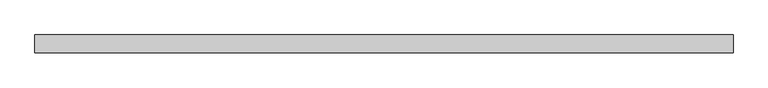
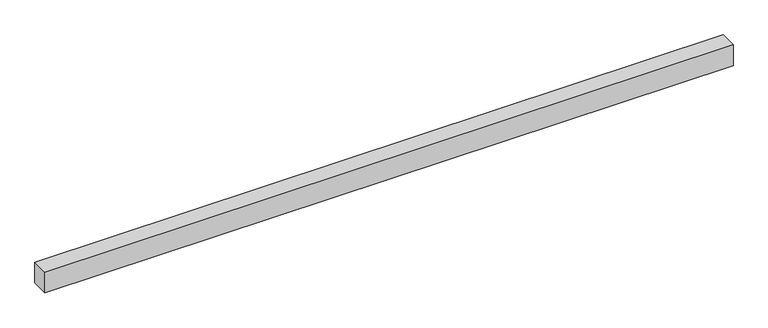
"""IFC4 building model written with IfcOpenShell, lengths in millimetres: proxy geometry."""

import ifcopenshell
import ifcopenshell.guid

model = None  # the IFC model being written
_history = None  # IfcOwnerHistory: only IFC2X3 demands one
_inside = {}  # id of a spatial element -> (the spatial element, [elements in it])
_under = {}  # id of a project, library or spatial element -> (it, [spatial elements below it])
_declared = {}  # id of a project -> (the project, [libraries it declares])
_typed = {}  # id of a type object -> (the type object, [elements of that type])
_made_of = {}  # id of a material, layer set ... -> (it, [elements and type objects made of it])


def new_model(schema):
    """Start an empty IFC model of exactly this schema.

    Asked for "IFC4X3", IfcOpenShell would pick the latest addendum, in which some entities
    have other attributes; the version numbers below select the first issue.
    IFC2X3 requires an IfcOwnerHistory on every rooted entity: one is made here for all.
    """
    global model, _history
    if schema == "IFC4X3":
        model = ifcopenshell.file(schema_version=(4, 3, 0, 0))
    else:
        model = ifcopenshell.file(schema=schema)
    _inside.clear()
    _under.clear()
    _declared.clear()
    _typed.clear()
    _made_of.clear()
    _history = None
    if model.schema == "IFC2X3":
        org = make("IfcOrganization", Name="unknown")
        user = make(
            "IfcPersonAndOrganization",
            ThePerson=make("IfcPerson", FamilyName="unknown"),
            TheOrganization=org,
        )
        app = make(
            "IfcApplication",
            ApplicationDeveloper=org,
            Version="unknown",
            ApplicationFullName="unknown",
            ApplicationIdentifier="unknown",
        )
        _history = make(
            "IfcOwnerHistory",
            OwningUser=user,
            OwningApplication=app,
            ChangeAction="ADDED",
            CreationDate=0,
        )
    return model


def make(cls, **values):
    """One entity of the class cls with the attributes given. An attribute that is None is left unset."""
    return model.create_entity(
        cls, **{name: value for name, value in values.items() if value is not None}
    )


def rooted(cls, **values):
    """An entity with a GlobalId (a new one), such as an element, a storey or a relation."""
    return make(cls, GlobalId=ifcopenshell.guid.new(), OwnerHistory=_history, **values)


def si_unit(unit_type, name, prefix=None):
    """IfcSIUnit, for example si_unit("LENGTHUNIT", "METRE", prefix="MILLI")."""
    return make("IfcSIUnit", UnitType=unit_type, Prefix=prefix, Name=name)


def assignment(units):
    """IfcUnitAssignment: the units of a project."""
    return None if units is None else make("IfcUnitAssignment", Units=units)


def point(xyz):
    """IfcCartesianPoint."""
    return None if xyz is None else make("IfcCartesianPoint", Coordinates=xyz)


def direction(xyz):
    """IfcDirection."""
    return None if xyz is None else make("IfcDirection", DirectionRatios=xyz)


def frame(location, z_axis=None, x_axis=None):
    """IfcAxis2Placement3D, a coordinate frame: its origin and axes. An axis left out is left unset."""
    return make(
        "IfcAxis2Placement3D",
        Location=point(location),
        Axis=direction(z_axis),
        RefDirection=direction(x_axis),
    )


def origin():
    """The frame at (0, 0, 0) with its axes left unset."""
    return frame((0.0, 0.0, 0.0))


def origin_with_axes():
    """The frame at (0, 0, 0) with the z axis (0, 0, 1) and the x axis (1, 0, 0) written out."""
    return frame((0.0, 0.0, 0.0), z_axis=(0.0, 0.0, 1.0), x_axis=(1.0, 0.0, 0.0))


def place(relative_to, where):
    """IfcLocalPlacement: puts the frame where relative to a parent placement (None: the world)."""
    return make(
        "IfcLocalPlacement", PlacementRelTo=relative_to, RelativePlacement=where
    )


def context(
    kind, dimensions, precision=None, world=None, true_north=None, identifier=None
):
    """IfcGeometricRepresentationContext, for example the 3D "Model" context."""
    return make(
        "IfcGeometricRepresentationContext",
        ContextIdentifier=identifier,
        ContextType=kind,
        CoordinateSpaceDimension=dimensions,
        Precision=precision,
        WorldCoordinateSystem=world,
        TrueNorth=true_north,
    )


def project(units=None, contexts=None):
    """IfcProject with its units and contexts."""
    return rooted(
        "IfcProject",
        Name="project",
        RepresentationContexts=contexts,
        UnitsInContext=assignment(units),
    )


def spatial(cls, under=None, at=None, **own):
    """A site, building, storey or space (cls), placed at a placement, below another one or the project."""
    s = rooted(cls, ObjectPlacement=at, **own)
    if under is not None:
        _under.setdefault(under.id(), (under, []))[1].append(s)
    return s


def polyline(points):
    """IfcPolyline through the points."""
    return make("IfcPolyline", Points=[point(p) for p in points])


def outline(outer, holes=None, kind="AREA"):
    """IfcArbitraryClosedProfileDef: a profile drawn as a closed curve; with holes, ...WithVoids."""
    if holes is None:
        return make("IfcArbitraryClosedProfileDef", ProfileType=kind, OuterCurve=outer)
    return make(
        "IfcArbitraryProfileDefWithVoids",
        ProfileType=kind,
        OuterCurve=outer,
        InnerCurves=holes,
    )


def extrude(swept, where, along, depth):
    """IfcExtrudedAreaSolid: the profile swept, set in the frame where, extruded along a direction by depth."""
    return make(
        "IfcExtrudedAreaSolid",
        SweptArea=swept,
        Position=where,
        ExtrudedDirection=direction(along),
        Depth=depth,
    )


def shape(context_of_items, identifier, shape_type, items):
    """IfcShapeRepresentation: the items that make up one representation, for example the "Body"."""
    return make(
        "IfcShapeRepresentation",
        ContextOfItems=context_of_items,
        RepresentationIdentifier=identifier,
        RepresentationType=shape_type,
        Items=items,
    )


def source(mapping_origin, context_of_items, identifier, shape_type, items):
    """IfcRepresentationMap: a shape defined once, which mapped items show again and again."""
    return make(
        "IfcRepresentationMap",
        MappingOrigin=mapping_origin,
        MappedRepresentation=shape(context_of_items, identifier, shape_type, items),
    )


def transform(
    local_origin,
    x_axis=None,
    y_axis=None,
    z_axis=None,
    scale=None,
    scale2=None,
    scale3=None,
    uniform=True,
):
    """IfcCartesianTransformationOperator3D, or its non-uniform kind. x_axis, y_axis, z_axis: its Axis1, 2, 3."""
    if uniform:
        return make(
            "IfcCartesianTransformationOperator3D",
            Axis1=direction(x_axis),
            Axis2=direction(y_axis),
            LocalOrigin=point(local_origin),
            Scale=scale,
            Axis3=direction(z_axis),
        )
    return make(
        "IfcCartesianTransformationOperator3DnonUniform",
        Axis1=direction(x_axis),
        Axis2=direction(y_axis),
        LocalOrigin=point(local_origin),
        Scale=scale,
        Axis3=direction(z_axis),
        Scale2=scale2,
        Scale3=scale3,
    )


def mapped(mapping_source, mapping_target):
    """IfcMappedItem: shows the shape of a source again, moved by a transform."""
    return make(
        "IfcMappedItem", MappingSource=mapping_source, MappingTarget=mapping_target
    )


def made_of(thing, what):
    """Note that an element or type object is made of a material, layer set ...; save() writes the relation."""
    if what is not None:
        _made_of.setdefault(what.id(), (what, []))[1].append(thing)
    return thing


def element(
    cls,
    number,
    at=None,
    inside=None,
    cuts=None,
    type_object=None,
    material=None,
    context=None,
    identifier="Body",
    shape_type=None,
    held_by="IfcProductDefinitionShape",
    body=None,
    shapes=None,
    **own,
):
    """One element of the class cls, such as IfcWall. Its Tag is "e" and its number.

    at: its placement. inside: the storey or other place that contains it. cuts: it is an
    opening in that element (IfcRelVoidsElement). A single representation is given by context,
    identifier, shape_type and body (its items); several are given by shapes. held_by: the class
    of the entity that holds the representations. save() writes the other relations.
    """
    e = rooted(cls, Tag="e%d" % number, ObjectPlacement=at, **own)
    if body is not None:
        shapes = [shape(context, identifier, shape_type, body)]
    if shapes is not None:
        e.Representation = make(held_by, Representations=shapes)
    if inside is not None:
        _inside.setdefault(inside.id(), (inside, []))[1].append(e)
    if cuts is not None:
        rooted(
            "IfcRelVoidsElement", RelatingBuildingElement=cuts, RelatedOpeningElement=e
        )
    if type_object is not None:
        _typed.setdefault(type_object.id(), (type_object, []))[1].append(e)
    return made_of(e, material)


def aggregate(whole, parts):
    """IfcRelAggregates: a whole, such as a stair, and the parts it consists of."""
    return rooted("IfcRelAggregates", RelatingObject=whole, RelatedObjects=parts)


def save(model, path):
    """Write the relations noted so far, then the file.

    IfcRelAggregates (storeys below a building ...), IfcRelContainedInSpatialStructure (elements
    in a storey), IfcRelDefinesByType, IfcRelAssociatesMaterial and IfcRelDeclares: one each for
    every whole, place, type object, material and project.
    """
    for whole, parts in _under.values():
        aggregate(whole, parts)
    for where, things in _inside.values():
        rooted(
            "IfcRelContainedInSpatialStructure",
            RelatedElements=things,
            RelatingStructure=where,
        )
    for kind, things in _typed.values():
        rooted("IfcRelDefinesByType", RelatedObjects=things, RelatingType=kind)
    for what, things in _made_of.values():
        rooted("IfcRelAssociatesMaterial", RelatedObjects=things, RelatingMaterial=what)
    for by, libraries in _declared.values():
        rooted("IfcRelDeclares", RelatingContext=by, RelatedDefinitions=libraries)
    model.write(path)


def generic_models_ab5a520c(model_context):
    return source(origin(), model_context, "Body", "SweptSolid", [
        extrude(outline(polyline([(3150.0, -40.0), (0.0, -40.0), (0.0, 40.0), (3150.0, 40.0), (3150.0, -40.0)])), origin_with_axes(), (0.0, 0.0, 1.0), 100.0),
    ])


if __name__ == "__main__":
    model = new_model("IFC4")
    model_context = context("Model", 3, world=origin())
    ifc_project = project(units=[si_unit("LENGTHUNIT", "METRE", prefix="MILLI")], contexts=[model_context])
    site = spatial("IfcSite", under=ifc_project)
    building = spatial("IfcBuilding", under=site)
    placement = place(None, origin())
    generic_models_shape = generic_models_ab5a520c(model_context)
    element("IfcBuildingElementProxy", 1, Name="Generic Models", at=placement, inside=building, context=model_context, shape_type="MappedRepresentation", body=[
        mapped(generic_models_shape, transform((0.0, 0.0, 0.0), x_axis=(1.0, 0.0, 0.0), y_axis=(0.0, 1.0, 0.0), z_axis=(0.0, 0.0, 1.0))),
    ])
    save(model, "model.ifc")
